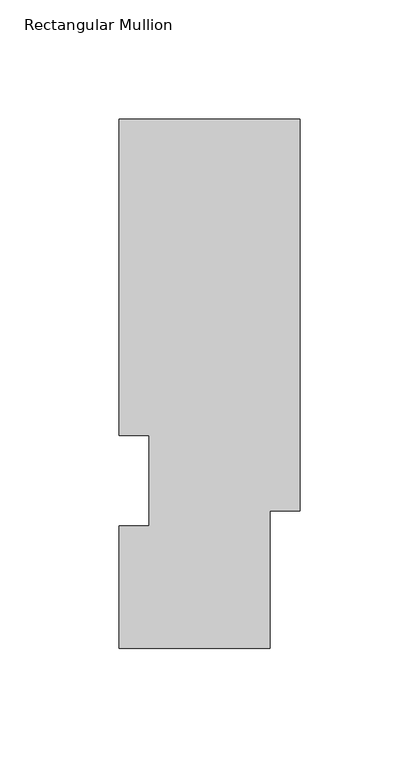
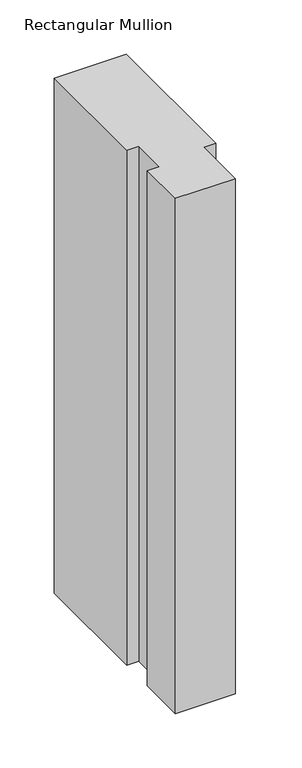
"""IFC4 building model written with IfcOpenShell, lengths in millimetres: member geometry, Rectangular Mullion."""

from ifc_helpers import new_model, si_unit, frame, origin, place, context, project, spatial, polyline, outline, extrude, source, transform, mapped, element, save


def rectangular_mullion_4d149002(model_context):
    return source(origin(), model_context, "Body", "SweptSolid", [
        extrude(outline(polyline([(0.0, 222.5381313), (0.0, 57.8445312), (-12.7, 57.8445312), (-12.7, 0.041758), (-76.2, 0.041758), (-76.2, 51.4945313), (-63.5127, 51.4945313), (-63.5127, 89.5945313), (-76.2, 89.5945312), (-76.2, 222.5381313), (0.0, 222.5381313)])), frame((0.0, 0.0, -577.8404902), z_axis=(0.0, 0.0, 1.0), x_axis=(1.0, 0.0, 0.0)), (0.0, 0.0, 1.0), 577.8404902),
    ])


if __name__ == "__main__":
    model = new_model("IFC4")
    model_context = context("Model", 3, world=origin())
    ifc_project = project(units=[si_unit("LENGTHUNIT", "METRE", prefix="MILLI")], contexts=[model_context])
    site = spatial("IfcSite", under=ifc_project)
    building = spatial("IfcBuilding", under=site)
    placement = place(None, origin())
    rectangular_mullion_shape = rectangular_mullion_4d149002(model_context)
    element("IfcMember", 1, ObjectType="Rectangular Mullion", at=placement, inside=building, context=model_context, shape_type="MappedRepresentation", body=[
        mapped(rectangular_mullion_shape, transform((0.0, 0.0, 0.0), x_axis=(1.0, 0.0, 0.0), y_axis=(0.0, 1.0, 0.0), z_axis=(0.0, 0.0, 1.0))),
    ])
    save(model, "model.ifc")
